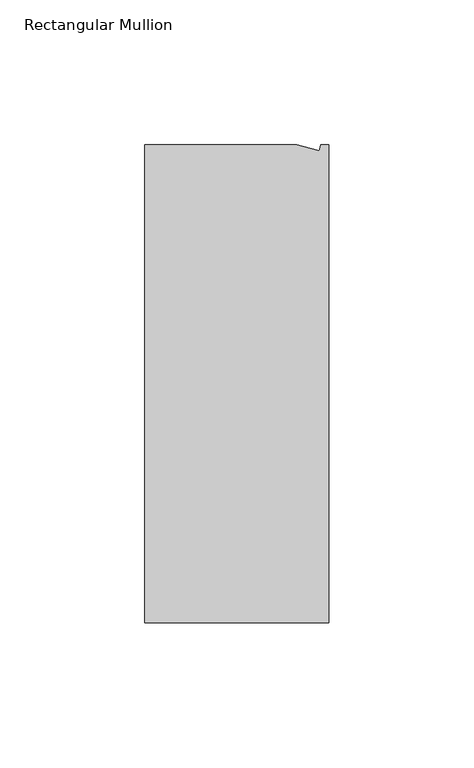
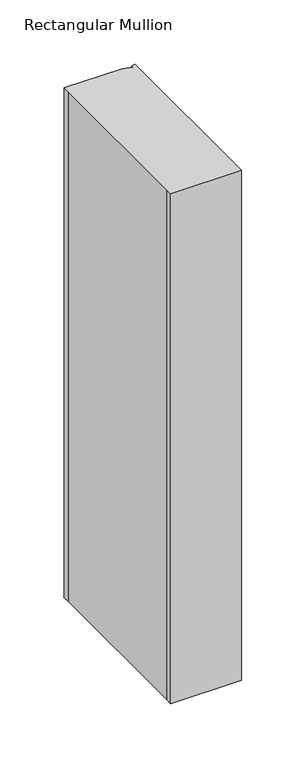
"""IFC4 building model written with IfcOpenShell, lengths in millimetres: member geometry, Rectangular Mullion."""

from ifc_helpers import new_model, si_unit, origin, place, context, project, spatial, faceted_brep, source, transform, mapped, element, save


def rectangular_mullion_744e6eaa(model_context):
    return source(origin(), model_context, "Body", "Brep", [
        faceted_brep([(0.0, -132.5561012, 0.0), (0.0, 32.5438988, 0.0), (-2.7630634, 32.5438988, 0.0), (-3.3223696, 30.4565397, 0.0), (-11.1125, 32.5438988, 0.0), (-63.5076469, 32.5438988, 0.0), (-63.5076469, 26.1938988, 0.0), (-63.5, -126.2061012, 0.0), (-63.5076469, -132.5561012, 0.0), (0.0, -132.5561012, -482.6), (-63.5076469, -132.5561012, -482.6), (-63.5076469, -126.2061012, -482.6), (-63.5, 26.1938988, -482.6), (-63.5076469, 32.5438988, -482.6), (-11.1125, 32.5438988, -482.6), (-3.3223696, 30.4565397, -482.6), (-2.7630634, 32.5438988, -482.6), (0.0, 32.5438988, -482.6)], [[[0, 1, 2, 3, 4, 5, 6, 7, 8]], [[9, 10, 11, 12, 13, 14, 15, 16, 17]], [[1, 0, 9, 17]], [[2, 1, 17, 16]], [[3, 2, 16, 15]], [[4, 3, 15, 14]], [[5, 4, 14, 13]], [[7, 6, 12, 11]], [[0, 8, 10, 9]], [[6, 5, 13, 12]], [[8, 7, 11, 10]]]),
    ])


if __name__ == "__main__":
    model = new_model("IFC4")
    model_context = context("Model", 3, world=origin())
    ifc_project = project(units=[si_unit("LENGTHUNIT", "METRE", prefix="MILLI")], contexts=[model_context])
    site = spatial("IfcSite", under=ifc_project)
    building = spatial("IfcBuilding", under=site)
    placement = place(None, origin())
    rectangular_mullion_shape = rectangular_mullion_744e6eaa(model_context)
    element("IfcMember", 1, ObjectType="Rectangular Mullion", at=placement, inside=building, context=model_context, shape_type="MappedRepresentation", body=[
        mapped(rectangular_mullion_shape, transform((0.0, 0.0, 0.0), x_axis=(1.0, 0.0, 0.0), y_axis=(0.0, 1.0, 0.0), z_axis=(0.0, 0.0, 1.0))),
    ])
    save(model, "model.ifc")
